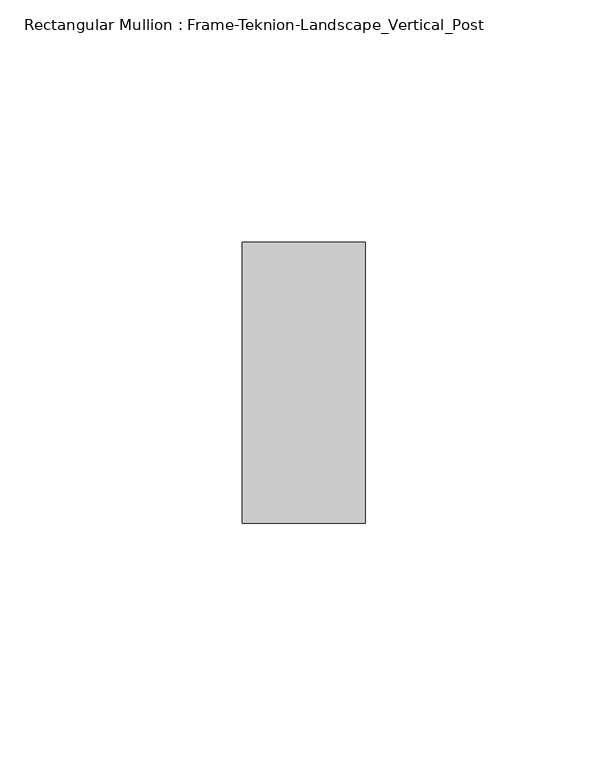
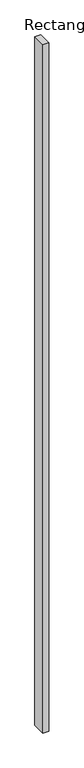
"""IFC4 building model written with IfcOpenShell, lengths in millimetres: member geometry, Rectangular Mullion : Frame-Teknion-Landscape_Vertical_Post."""

import ifcopenshell
import ifcopenshell.guid

model = None  # the IFC model being written
_history = None  # IfcOwnerHistory: only IFC2X3 demands one
_inside = {}  # id of a spatial element -> (the spatial element, [elements in it])
_under = {}  # id of a project, library or spatial element -> (it, [spatial elements below it])
_declared = {}  # id of a project -> (the project, [libraries it declares])
_typed = {}  # id of a type object -> (the type object, [elements of that type])
_made_of = {}  # id of a material, layer set ... -> (it, [elements and type objects made of it])


def new_model(schema):
    """Start an empty IFC model of exactly this schema.

    Asked for "IFC4X3", IfcOpenShell would pick the latest addendum, in which some entities
    have other attributes; the version numbers below select the first issue.
    IFC2X3 requires an IfcOwnerHistory on every rooted entity: one is made here for all.
    """
    global model, _history
    if schema == "IFC4X3":
        model = ifcopenshell.file(schema_version=(4, 3, 0, 0))
    else:
        model = ifcopenshell.file(schema=schema)
    _inside.clear()
    _under.clear()
    _declared.clear()
    _typed.clear()
    _made_of.clear()
    _history = None
    if model.schema == "IFC2X3":
        org = make("IfcOrganization", Name="unknown")
        user = make(
            "IfcPersonAndOrganization",
            ThePerson=make("IfcPerson", FamilyName="unknown"),
            TheOrganization=org,
        )
        app = make(
            "IfcApplication",
            ApplicationDeveloper=org,
            Version="unknown",
            ApplicationFullName="unknown",
            ApplicationIdentifier="unknown",
        )
        _history = make(
            "IfcOwnerHistory",
            OwningUser=user,
            OwningApplication=app,
            ChangeAction="ADDED",
            CreationDate=0,
        )
    return model


def make(cls, **values):
    """One entity of the class cls with the attributes given. An attribute that is None is left unset."""
    return model.create_entity(
        cls, **{name: value for name, value in values.items() if value is not None}
    )


def rooted(cls, **values):
    """An entity with a GlobalId (a new one), such as an element, a storey or a relation."""
    return make(cls, GlobalId=ifcopenshell.guid.new(), OwnerHistory=_history, **values)


def si_unit(unit_type, name, prefix=None):
    """IfcSIUnit, for example si_unit("LENGTHUNIT", "METRE", prefix="MILLI")."""
    return make("IfcSIUnit", UnitType=unit_type, Prefix=prefix, Name=name)


def assignment(units):
    """IfcUnitAssignment: the units of a project."""
    return None if units is None else make("IfcUnitAssignment", Units=units)


def point(xyz):
    """IfcCartesianPoint."""
    return None if xyz is None else make("IfcCartesianPoint", Coordinates=xyz)


def direction(xyz):
    """IfcDirection."""
    return None if xyz is None else make("IfcDirection", DirectionRatios=xyz)


def frame(location, z_axis=None, x_axis=None):
    """IfcAxis2Placement3D, a coordinate frame: its origin and axes. An axis left out is left unset."""
    return make(
        "IfcAxis2Placement3D",
        Location=point(location),
        Axis=direction(z_axis),
        RefDirection=direction(x_axis),
    )


def origin():
    """The frame at (0, 0, 0) with its axes left unset."""
    return frame((0.0, 0.0, 0.0))


def place(relative_to, where):
    """IfcLocalPlacement: puts the frame where relative to a parent placement (None: the world)."""
    return make(
        "IfcLocalPlacement", PlacementRelTo=relative_to, RelativePlacement=where
    )


def context(
    kind, dimensions, precision=None, world=None, true_north=None, identifier=None
):
    """IfcGeometricRepresentationContext, for example the 3D "Model" context."""
    return make(
        "IfcGeometricRepresentationContext",
        ContextIdentifier=identifier,
        ContextType=kind,
        CoordinateSpaceDimension=dimensions,
        Precision=precision,
        WorldCoordinateSystem=world,
        TrueNorth=true_north,
    )


def project(units=None, contexts=None):
    """IfcProject with its units and contexts."""
    return rooted(
        "IfcProject",
        Name="project",
        RepresentationContexts=contexts,
        UnitsInContext=assignment(units),
    )


def spatial(cls, under=None, at=None, **own):
    """A site, building, storey or space (cls), placed at a placement, below another one or the project."""
    s = rooted(cls, ObjectPlacement=at, **own)
    if under is not None:
        _under.setdefault(under.id(), (under, []))[1].append(s)
    return s


def polyline(points):
    """IfcPolyline through the points."""
    return make("IfcPolyline", Points=[point(p) for p in points])


def outline(outer, holes=None, kind="AREA"):
    """IfcArbitraryClosedProfileDef: a profile drawn as a closed curve; with holes, ...WithVoids."""
    if holes is None:
        return make("IfcArbitraryClosedProfileDef", ProfileType=kind, OuterCurve=outer)
    return make(
        "IfcArbitraryProfileDefWithVoids",
        ProfileType=kind,
        OuterCurve=outer,
        InnerCurves=holes,
    )


def extrude(swept, where, along, depth):
    """IfcExtrudedAreaSolid: the profile swept, set in the frame where, extruded along a direction by depth."""
    return make(
        "IfcExtrudedAreaSolid",
        SweptArea=swept,
        Position=where,
        ExtrudedDirection=direction(along),
        Depth=depth,
    )


def shape(context_of_items, identifier, shape_type, items):
    """IfcShapeRepresentation: the items that make up one representation, for example the "Body"."""
    return make(
        "IfcShapeRepresentation",
        ContextOfItems=context_of_items,
        RepresentationIdentifier=identifier,
        RepresentationType=shape_type,
        Items=items,
    )


def source(mapping_origin, context_of_items, identifier, shape_type, items):
    """IfcRepresentationMap: a shape defined once, which mapped items show again and again."""
    return make(
        "IfcRepresentationMap",
        MappingOrigin=mapping_origin,
        MappedRepresentation=shape(context_of_items, identifier, shape_type, items),
    )


def transform(
    local_origin,
    x_axis=None,
    y_axis=None,
    z_axis=None,
    scale=None,
    scale2=None,
    scale3=None,
    uniform=True,
):
    """IfcCartesianTransformationOperator3D, or its non-uniform kind. x_axis, y_axis, z_axis: its Axis1, 2, 3."""
    if uniform:
        return make(
            "IfcCartesianTransformationOperator3D",
            Axis1=direction(x_axis),
            Axis2=direction(y_axis),
            LocalOrigin=point(local_origin),
            Scale=scale,
            Axis3=direction(z_axis),
        )
    return make(
        "IfcCartesianTransformationOperator3DnonUniform",
        Axis1=direction(x_axis),
        Axis2=direction(y_axis),
        LocalOrigin=point(local_origin),
        Scale=scale,
        Axis3=direction(z_axis),
        Scale2=scale2,
        Scale3=scale3,
    )


def mapped(mapping_source, mapping_target):
    """IfcMappedItem: shows the shape of a source again, moved by a transform."""
    return make(
        "IfcMappedItem", MappingSource=mapping_source, MappingTarget=mapping_target
    )


def made_of(thing, what):
    """Note that an element or type object is made of a material, layer set ...; save() writes the relation."""
    if what is not None:
        _made_of.setdefault(what.id(), (what, []))[1].append(thing)
    return thing


def element(
    cls,
    number,
    at=None,
    inside=None,
    cuts=None,
    type_object=None,
    material=None,
    context=None,
    identifier="Body",
    shape_type=None,
    held_by="IfcProductDefinitionShape",
    body=None,
    shapes=None,
    **own,
):
    """One element of the class cls, such as IfcWall. Its Tag is "e" and its number.

    at: its placement. inside: the storey or other place that contains it. cuts: it is an
    opening in that element (IfcRelVoidsElement). A single representation is given by context,
    identifier, shape_type and body (its items); several are given by shapes. held_by: the class
    of the entity that holds the representations. save() writes the other relations.
    """
    e = rooted(cls, Tag="e%d" % number, ObjectPlacement=at, **own)
    if body is not None:
        shapes = [shape(context, identifier, shape_type, body)]
    if shapes is not None:
        e.Representation = make(held_by, Representations=shapes)
    if inside is not None:
        _inside.setdefault(inside.id(), (inside, []))[1].append(e)
    if cuts is not None:
        rooted(
            "IfcRelVoidsElement", RelatingBuildingElement=cuts, RelatedOpeningElement=e
        )
    if type_object is not None:
        _typed.setdefault(type_object.id(), (type_object, []))[1].append(e)
    return made_of(e, material)


def aggregate(whole, parts):
    """IfcRelAggregates: a whole, such as a stair, and the parts it consists of."""
    return rooted("IfcRelAggregates", RelatingObject=whole, RelatedObjects=parts)


def save(model, path):
    """Write the relations noted so far, then the file.

    IfcRelAggregates (storeys below a building ...), IfcRelContainedInSpatialStructure (elements
    in a storey), IfcRelDefinesByType, IfcRelAssociatesMaterial and IfcRelDeclares: one each for
    every whole, place, type object, material and project.
    """
    for whole, parts in _under.values():
        aggregate(whole, parts)
    for where, things in _inside.values():
        rooted(
            "IfcRelContainedInSpatialStructure",
            RelatedElements=things,
            RelatingStructure=where,
        )
    for kind, things in _typed.values():
        rooted("IfcRelDefinesByType", RelatedObjects=things, RelatingType=kind)
    for what, things in _made_of.values():
        rooted("IfcRelAssociatesMaterial", RelatedObjects=things, RelatingMaterial=what)
    for by, libraries in _declared.values():
        rooted("IfcRelDeclares", RelatingContext=by, RelatedDefinitions=libraries)
    model.write(path)


def rectangular_mullion_frame_teknion_landscape_vertical_post_1ae835c8(model_context):
    return source(origin(), model_context, "Body", "SweptSolid", [
        extrude(outline(polyline([(-25.4, 28.971875), (0.0, 28.971875), (0.0, -28.971875), (-25.4, -28.971875), (-25.4, 28.971875)])), frame((0.0, 0.0, -3048.0), z_axis=(0.0, 0.0, 1.0), x_axis=(1.0, 0.0, 0.0)), (0.0, 0.0, 1.0), 3048.0),
    ])


if __name__ == "__main__":
    model = new_model("IFC4")
    model_context = context("Model", 3, world=origin())
    ifc_project = project(units=[si_unit("LENGTHUNIT", "METRE", prefix="MILLI")], contexts=[model_context])
    site = spatial("IfcSite", under=ifc_project)
    building = spatial("IfcBuilding", under=site)
    placement = place(None, origin())
    rectangular_mullion_frame_teknion_landscape_vertical_post_shape = rectangular_mullion_frame_teknion_landscape_vertical_post_1ae835c8(model_context)
    element("IfcMember", 1, ObjectType="Rectangular Mullion : Frame-Teknion-Landscape_Vertical_Post", at=placement, inside=building, context=model_context, shape_type="MappedRepresentation", body=[
        mapped(rectangular_mullion_frame_teknion_landscape_vertical_post_shape, transform((0.0, 0.0, 0.0), x_axis=(1.0, 0.0, 0.0), y_axis=(0.0, 1.0, 0.0), z_axis=(0.0, 0.0, 1.0))),
    ])
    save(model, "model.ifc")
